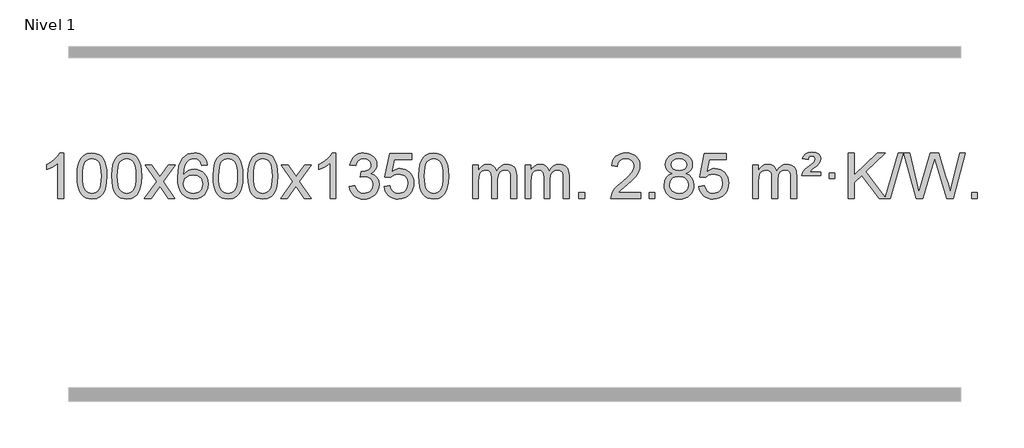
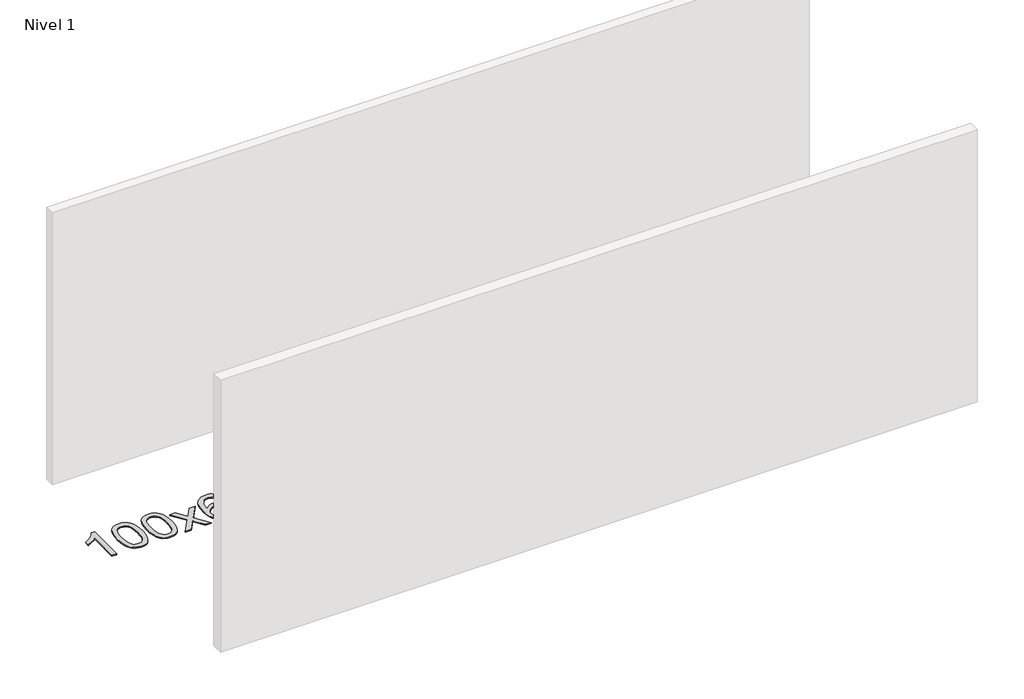
# One storey, part 6 of 16: 1 proxy.
"""IFC4 building model written with IfcOpenShell, lengths in millimetres."""

import ifcopenshell
import ifcopenshell.guid

model = None  # the IFC model being written
_history = None  # IfcOwnerHistory: only IFC2X3 demands one
_inside = {}  # id of a spatial element -> (the spatial element, [elements in it])
_under = {}  # id of a project, library or spatial element -> (it, [spatial elements below it])
_declared = {}  # id of a project -> (the project, [libraries it declares])
_typed = {}  # id of a type object -> (the type object, [elements of that type])
_made_of = {}  # id of a material, layer set ... -> (it, [elements and type objects made of it])


def new_model(schema):
    """Start an empty IFC model of exactly this schema.

    Asked for "IFC4X3", IfcOpenShell would pick the latest addendum, in which some entities
    have other attributes; the version numbers below select the first issue.
    IFC2X3 requires an IfcOwnerHistory on every rooted entity: one is made here for all.
    """
    global model, _history
    if schema == "IFC4X3":
        model = ifcopenshell.file(schema_version=(4, 3, 0, 0))
    else:
        model = ifcopenshell.file(schema=schema)
    _inside.clear()
    _under.clear()
    _declared.clear()
    _typed.clear()
    _made_of.clear()
    _history = None
    if model.schema == "IFC2X3":
        org = make("IfcOrganization", Name="unknown")
        user = make(
            "IfcPersonAndOrganization",
            ThePerson=make("IfcPerson", FamilyName="unknown"),
            TheOrganization=org,
        )
        app = make(
            "IfcApplication",
            ApplicationDeveloper=org,
            Version="unknown",
            ApplicationFullName="unknown",
            ApplicationIdentifier="unknown",
        )
        _history = make(
            "IfcOwnerHistory",
            OwningUser=user,
            OwningApplication=app,
            ChangeAction="ADDED",
            CreationDate=0,
        )
    return model


def make(cls, **values):
    """One entity of the class cls with the attributes given. An attribute that is None is left unset."""
    return model.create_entity(
        cls, **{name: value for name, value in values.items() if value is not None}
    )


def rooted(cls, **values):
    """An entity with a GlobalId (a new one), such as an element, a storey or a relation."""
    return make(cls, GlobalId=ifcopenshell.guid.new(), OwnerHistory=_history, **values)


def si_unit(unit_type, name, prefix=None):
    """IfcSIUnit, for example si_unit("LENGTHUNIT", "METRE", prefix="MILLI")."""
    return make("IfcSIUnit", UnitType=unit_type, Prefix=prefix, Name=name)


def assignment(units):
    """IfcUnitAssignment: the units of a project."""
    return None if units is None else make("IfcUnitAssignment", Units=units)


def point(xyz):
    """IfcCartesianPoint."""
    return None if xyz is None else make("IfcCartesianPoint", Coordinates=xyz)


def direction(xyz):
    """IfcDirection."""
    return None if xyz is None else make("IfcDirection", DirectionRatios=xyz)


def frame(location, z_axis=None, x_axis=None):
    """IfcAxis2Placement3D, a coordinate frame: its origin and axes. An axis left out is left unset."""
    return make(
        "IfcAxis2Placement3D",
        Location=point(location),
        Axis=direction(z_axis),
        RefDirection=direction(x_axis),
    )


def origin():
    """The frame at (0, 0, 0) with its axes left unset."""
    return frame((0.0, 0.0, 0.0))


def origin_with_axes():
    """The frame at (0, 0, 0) with the z axis (0, 0, 1) and the x axis (1, 0, 0) written out."""
    return frame((0.0, 0.0, 0.0), z_axis=(0.0, 0.0, 1.0), x_axis=(1.0, 0.0, 0.0))


def place(relative_to, where):
    """IfcLocalPlacement: puts the frame where relative to a parent placement (None: the world)."""
    return make(
        "IfcLocalPlacement", PlacementRelTo=relative_to, RelativePlacement=where
    )


def context(
    kind, dimensions, precision=None, world=None, true_north=None, identifier=None
):
    """IfcGeometricRepresentationContext, for example the 3D "Model" context."""
    return make(
        "IfcGeometricRepresentationContext",
        ContextIdentifier=identifier,
        ContextType=kind,
        CoordinateSpaceDimension=dimensions,
        Precision=precision,
        WorldCoordinateSystem=world,
        TrueNorth=true_north,
    )


def project(units=None, contexts=None):
    """IfcProject with its units and contexts."""
    return rooted(
        "IfcProject",
        Name="project",
        RepresentationContexts=contexts,
        UnitsInContext=assignment(units),
    )


def spatial(cls, under=None, at=None, **own):
    """A site, building, storey or space (cls), placed at a placement, below another one or the project."""
    s = rooted(cls, ObjectPlacement=at, **own)
    if under is not None:
        _under.setdefault(under.id(), (under, []))[1].append(s)
    return s


def polyline(points):
    """IfcPolyline through the points."""
    return make("IfcPolyline", Points=[point(p) for p in points])


def outline(outer, holes=None, kind="AREA"):
    """IfcArbitraryClosedProfileDef: a profile drawn as a closed curve; with holes, ...WithVoids."""
    if holes is None:
        return make("IfcArbitraryClosedProfileDef", ProfileType=kind, OuterCurve=outer)
    return make(
        "IfcArbitraryProfileDefWithVoids",
        ProfileType=kind,
        OuterCurve=outer,
        InnerCurves=holes,
    )


def extrude(swept, where, along, depth):
    """IfcExtrudedAreaSolid: the profile swept, set in the frame where, extruded along a direction by depth."""
    return make(
        "IfcExtrudedAreaSolid",
        SweptArea=swept,
        Position=where,
        ExtrudedDirection=direction(along),
        Depth=depth,
    )


def shape(context_of_items, identifier, shape_type, items):
    """IfcShapeRepresentation: the items that make up one representation, for example the "Body"."""
    return make(
        "IfcShapeRepresentation",
        ContextOfItems=context_of_items,
        RepresentationIdentifier=identifier,
        RepresentationType=shape_type,
        Items=items,
    )


def made_of(thing, what):
    """Note that an element or type object is made of a material, layer set ...; save() writes the relation."""
    if what is not None:
        _made_of.setdefault(what.id(), (what, []))[1].append(thing)
    return thing


def element(
    cls,
    number,
    at=None,
    inside=None,
    cuts=None,
    type_object=None,
    material=None,
    context=None,
    identifier="Body",
    shape_type=None,
    held_by="IfcProductDefinitionShape",
    body=None,
    shapes=None,
    **own,
):
    """One element of the class cls, such as IfcWall. Its Tag is "e" and its number.

    at: its placement. inside: the storey or other place that contains it. cuts: it is an
    opening in that element (IfcRelVoidsElement). A single representation is given by context,
    identifier, shape_type and body (its items); several are given by shapes. held_by: the class
    of the entity that holds the representations. save() writes the other relations.
    """
    e = rooted(cls, Tag="e%d" % number, ObjectPlacement=at, **own)
    if body is not None:
        shapes = [shape(context, identifier, shape_type, body)]
    if shapes is not None:
        e.Representation = make(held_by, Representations=shapes)
    if inside is not None:
        _inside.setdefault(inside.id(), (inside, []))[1].append(e)
    if cuts is not None:
        rooted(
            "IfcRelVoidsElement", RelatingBuildingElement=cuts, RelatedOpeningElement=e
        )
    if type_object is not None:
        _typed.setdefault(type_object.id(), (type_object, []))[1].append(e)
    return made_of(e, material)


def aggregate(whole, parts):
    """IfcRelAggregates: a whole, such as a stair, and the parts it consists of."""
    return rooted("IfcRelAggregates", RelatingObject=whole, RelatedObjects=parts)


def save(model, path):
    """Write the relations noted so far, then the file.

    IfcRelAggregates (storeys below a building ...), IfcRelContainedInSpatialStructure (elements
    in a storey), IfcRelDefinesByType, IfcRelAssociatesMaterial and IfcRelDeclares: one each for
    every whole, place, type object, material and project.
    """
    for whole, parts in _under.values():
        aggregate(whole, parts)
    for where, things in _inside.values():
        rooted(
            "IfcRelContainedInSpatialStructure",
            RelatedElements=things,
            RelatingStructure=where,
        )
    for kind, things in _typed.values():
        rooted("IfcRelDefinesByType", RelatedObjects=things, RelatingType=kind)
    for what, things in _made_of.values():
        rooted("IfcRelAssociatesMaterial", RelatedObjects=things, RelatingMaterial=what)
    for by, libraries in _declared.values():
        rooted("IfcRelDeclares", RelatingContext=by, RelatedDefinitions=libraries)
    model.write(path)


model = new_model("IFC4")

# Units and contexts
model_context = context("Model", 3, world=origin())
ifc_project = project(units=[si_unit("LENGTHUNIT", "METRE", prefix="MILLI")], contexts=[model_context])

# Site, building, storey
site = spatial("IfcSite", under=ifc_project)
building = spatial("IfcBuilding", under=site)
storey = spatial("IfcBuildingStorey", under=building, Name="Nivel 1", Elevation=0.0)

# Proxy
placement = place(None, origin())
element("IfcBuildingElementProxy", 1, Name="Texto de modelo 1", ObjectType="Texto de modelo 1", at=placement, inside=storey, context=model_context, shape_type="SweptSolid", body=[
    extrude(outline(polyline([(-275.4615788, -24545.579453), (-325.6897338, -24545.579453), (-325.6897338, -24232.4382987), (-346.6590076, -24249.3976587), (-373.2691385, -24266.3324932), (-426.146044, -24291.6918254), (-426.146044, -24244.2105225), (-386.6968314, -24222.7507395), (-352.520594, -24197.219729), (-325.5793692, -24170.0700378), (-307.8351943, -24143.7542124), (-275.4615788, -24143.7542124), (-275.4615788, -24545.579453)])), origin_with_axes(), (0.0, 0.0, 1.0), 10.0),
    extrude(outline(polyline([(-156.1697105, -24347.9041943), (-152.4786278, -24283.5861588), (-141.4053797, -24232.2911459), (-123.0603309, -24193.2343407), (-111.2022679, -24178.0009605), (-97.5538459, -24165.6309284), (-82.0690796, -24156.0598651), (-64.7019837, -24149.2233914), (-24.3208034, -24143.7542124), (6.6303351, -24146.991574), (34.3441121, -24156.7036586), (57.5206778, -24172.5103217), (74.8601825, -24194.0314184), (87.9567815, -24221.0830078), (98.4046302, -24253.4811488), (105.2472353, -24294.6226186), (107.5281037, -24347.9041943), (103.8738092, -24411.8543477), (92.9109257, -24463.0267333), (74.6762415, -24502.1203266), (62.8457697, -24517.3996922), (49.2065447, -24529.8341036), (33.7033843, -24539.4695462), (16.2811061, -24546.3520052), (-24.3208034, -24551.8579724), (-51.9855294, -24549.4667394), (-76.5109958, -24542.2930405), (-97.8972024, -24530.3368757), (-116.1441494, -24513.5982449), (-133.6553324, -24483.3399508), (-146.1633202, -24445.6381776), (-153.6681129, -24400.4929255), (-156.1697105, -24347.9041943)]), holes=[polyline([(-105.9415554, -24347.8060924), (-104.4700274, -24391.4706195), (-100.0554435, -24426.8148822), (-92.6978036, -24453.8388804), (-82.3971077, -24472.5426142), (-69.9381708, -24485.2682656), (-56.1058078, -24494.3580165), (-40.9000186, -24499.8118671), (-24.3208034, -24501.6298173), (-7.7415881, -24499.8057357), (7.464201, -24494.3334911), (21.296564, -24485.2130833), (33.7555009, -24472.4445124), (44.0561968, -24453.7101217), (51.4138367, -24426.6922549), (55.8284206, -24391.3909118), (57.2999486, -24347.8060924), (55.8774716, -24305.2973278), (51.6100404, -24270.5753989), (44.4976552, -24243.6403055), (34.5403158, -24224.4920476), (22.2898454, -24211.1440625), (8.2980668, -24201.6097875), (-7.4350198, -24195.8892225), (-24.9094146, -24193.9823675), (-41.4027907, -24195.6623619), (-56.3510624, -24200.7023452), (-69.7542298, -24209.1023175), (-81.6122928, -24220.8622786), (-92.2563452, -24241.708925), (-99.8592397, -24269.8151094), (-104.4209765, -24305.1808319), (-105.9415554, -24347.8060924)])]), origin_with_axes(), (0.0, 0.0, 1.0), 10.0),
    extrude(outline(polyline([(151.4777394, -24347.9041943), (155.1688221, -24283.5861588), (166.2420701, -24232.2911459), (184.5871189, -24193.2343407), (196.4451819, -24178.0009605), (210.0936039, -24165.6309284), (225.5783702, -24156.0598651), (242.9454661, -24149.2233914), (283.3266464, -24143.7542124), (314.277785, -24146.991574), (341.9915619, -24156.7036586), (365.1681276, -24172.5103217), (382.5076323, -24194.0314184), (395.6042314, -24221.0830078), (406.05208, -24253.4811488), (412.8946851, -24294.6226186), (415.1755535, -24347.9041943), (411.521259, -24411.8543477), (400.5583756, -24463.0267333), (382.3236913, -24502.1203266), (370.4932195, -24517.3996922), (356.8539945, -24529.8341036), (341.3508341, -24539.4695462), (323.928556, -24546.3520052), (283.3266464, -24551.8579724), (255.6619204, -24549.4667394), (231.1364541, -24542.2930405), (209.7502474, -24530.3368757), (191.5033004, -24513.5982449), (173.9921175, -24483.3399508), (161.4841296, -24445.6381776), (153.9793369, -24400.4929255), (151.4777394, -24347.9041943)]), holes=[polyline([(201.7058944, -24347.8060924), (203.1774224, -24391.4706195), (207.5920064, -24426.8148822), (214.9496463, -24453.8388804), (225.2503421, -24472.5426142), (237.709279, -24485.2682656), (251.5416421, -24494.3580165), (266.7474312, -24499.8118671), (283.3266464, -24501.6298173), (299.9058617, -24499.8057357), (315.1116508, -24494.3334911), (328.9440138, -24485.2130833), (341.4029507, -24472.4445124), (351.7036466, -24453.7101217), (359.0612865, -24426.6922549), (363.4758705, -24391.3909118), (364.9473984, -24347.8060924), (363.5249214, -24305.2973278), (359.2574902, -24270.5753989), (352.145105, -24243.6403055), (342.1877657, -24224.4920476), (329.9372952, -24211.1440625), (315.9455167, -24201.6097875), (300.21243, -24195.8892225), (282.7380352, -24193.9823675), (266.2446591, -24195.6623619), (251.2963874, -24200.7023452), (237.89322, -24209.1023175), (226.0351571, -24220.8622786), (215.3911047, -24241.708925), (207.7882101, -24269.8151094), (203.2264734, -24305.1808319), (201.7058944, -24347.8060924)])]), origin_with_axes(), (0.0, 0.0, 1.0), 10.0),
    extrude(outline(polyline([(440.2896311, -24545.579453), (547.6130718, -24397.2494325), (446.5681504, -24250.4890419), (506.9988995, -24250.4890419), (555.7555266, -24321.122385), (578.5151594, -24354.4770192), (598.2336343, -24327.2047007), (653.7592901, -24250.4890419), (714.1900392, -24250.4890419), (608.0438209, -24397.2494325), (710.2659646, -24545.579453), (649.8352155, -24545.579453), (588.3253459, -24456.4048574), (577.0436314, -24440.1199477), (500.7203801, -24545.579453), (440.2896311, -24545.579453)])), origin_with_axes(), (0.0, 0.0, 1.0), 10.0),
    extrude(outline(polyline([(999.0778563, -24250.4890419), (948.8497012, -24256.7675613), (940.7562973, -24231.874213), (929.8179393, -24214.8780648), (907.0337811, -24199.2062918), (879.4916824, -24193.9823675), (856.1434384, -24197.0235253), (834.1686206, -24206.1469988), (815.2962742, -24225.3627017), (799.8820186, -24251.8134171), (789.4709581, -24289.227016), (785.6081972, -24341.3313693), (805.7558678, -24317.8237098), (829.9011894, -24301.2567573), (856.6952614, -24291.434308), (884.7891831, -24288.1601582), (908.922242, -24290.398107), (931.1913654, -24297.1119534), (951.5965534, -24308.3016975), (970.137806, -24323.9673391), (985.5459302, -24343.1769106), (996.5517332, -24364.9984443), (1003.155215, -24389.4319401), (1005.3563756, -24416.4773982), (1001.2115718, -24452.4439945), (988.7771604, -24485.786366), (969.0832109, -24514.0642287), (943.159793, -24534.8372987), (912.184129, -24547.602804), (877.3334413, -24551.8579724), (847.3909126, -24549.0375437), (820.3485203, -24540.5762579), (796.2062643, -24526.4741147), (774.9641448, -24506.7311143), (757.6460999, -24480.5133908), (745.2760678, -24446.9870783), (737.8540485, -24406.1521768), (735.3800421, -24358.0086864), (738.1268943, -24304.0342663), (746.367451, -24257.9693092), (760.1017122, -24219.8138149), (779.3296778, -24189.5677835), (800.1701928, -24169.5243462), (824.3339085, -24155.2076052), (851.820825, -24146.6175606), (882.6309421, -24143.7542124), (905.7645882, -24145.5261773), (926.7032051, -24150.8420722), (945.4467927, -24159.7018969), (961.9953511, -24172.1056515), (975.9012906, -24187.6364031), (986.7170212, -24205.8772186), (994.4425431, -24226.8280983), (999.0778563, -24250.4890419)]), holes=[polyline([(785.6081972, -24415.6925832), (788.514465, -24437.9494439), (797.2332682, -24459.2007605), (810.7713257, -24477.472233), (828.1353558, -24490.7895612), (849.0923668, -24498.9197533), (873.4093667, -24501.6298173), (906.5555345, -24496.0134855), (920.4706709, -24488.9930708), (932.6138425, -24479.1644901), (942.4638829, -24466.9262824), (949.499626, -24452.6769865), (955.1282206, -24418.1451299), (949.5732024, -24384.9989621), (942.6294298, -24371.3781312), (932.9081481, -24359.725469), (920.7281883, -24350.3904634), (906.4083817, -24343.7226022), (871.3492275, -24338.3883133), (838.2521107, -24343.7226022), (810.5751219, -24359.725469), (799.6520924, -24371.2248471), (791.8499284, -24384.3858254), (787.16863, -24399.2084042), (785.6081972, -24415.6925832)])]), origin_with_axes(), (0.0, 0.0, 1.0), 10.0),
    extrude(outline(polyline([(1049.3060113, -24347.9041943), (1052.997094, -24283.5861588), (1064.0703421, -24232.2911459), (1082.4153909, -24193.2343407), (1094.2734539, -24178.0009605), (1107.9218759, -24165.6309284), (1123.4066422, -24156.0598651), (1140.7737381, -24149.2233914), (1181.1549184, -24143.7542124), (1212.1060569, -24146.991574), (1239.8198339, -24156.7036586), (1262.9963996, -24172.5103217), (1280.3359043, -24194.0314184), (1293.4325033, -24221.0830078), (1303.880352, -24253.4811488), (1310.7229571, -24294.6226186), (1313.0038255, -24347.9041943), (1309.349531, -24411.8543477), (1298.3866475, -24463.0267333), (1280.1519633, -24502.1203266), (1268.3214915, -24517.3996922), (1254.6822665, -24529.8341036), (1239.1791061, -24539.4695462), (1221.7568279, -24546.3520052), (1181.1549184, -24551.8579724), (1153.4901924, -24549.4667394), (1128.964726, -24542.2930405), (1107.5785194, -24530.3368757), (1089.3315724, -24513.5982449), (1071.8203894, -24483.3399508), (1059.3124016, -24445.6381776), (1051.8076089, -24400.4929255), (1049.3060113, -24347.9041943)]), holes=[polyline([(1099.5341664, -24347.8060924), (1101.0056944, -24391.4706195), (1105.4202783, -24426.8148822), (1112.7779182, -24453.8388804), (1123.0786141, -24472.5426142), (1135.537551, -24485.2682656), (1149.369914, -24494.3580165), (1164.5757032, -24499.8118671), (1181.1549184, -24501.6298173), (1197.7341337, -24499.8057357), (1212.9399228, -24494.3334911), (1226.7722858, -24485.2130833), (1239.2312227, -24472.4445124), (1249.5319186, -24453.7101217), (1256.8895585, -24426.6922549), (1261.3041424, -24391.3909118), (1262.7756704, -24347.8060924), (1261.3531934, -24305.2973278), (1257.0857622, -24270.5753989), (1249.973377, -24243.6403055), (1240.0160376, -24224.4920476), (1227.7655672, -24211.1440625), (1213.7737886, -24201.6097875), (1198.040702, -24195.8892225), (1180.5663072, -24193.9823675), (1164.0729311, -24195.6623619), (1149.1246594, -24200.7023452), (1135.721492, -24209.1023175), (1123.863429, -24220.8622786), (1113.2193766, -24241.708925), (1105.6164821, -24269.8151094), (1101.0547453, -24305.1808319), (1099.5341664, -24347.8060924)])]), origin_with_axes(), (0.0, 0.0, 1.0), 10.0),
    extrude(outline(polyline([(1356.9534612, -24347.9041943), (1360.6445439, -24283.5861588), (1371.7177919, -24232.2911459), (1390.0628407, -24193.2343407), (1401.9209037, -24178.0009605), (1415.5693257, -24165.6309284), (1431.054092, -24156.0598651), (1448.4211879, -24149.2233914), (1488.8023682, -24143.7542124), (1519.7535068, -24146.991574), (1547.4672837, -24156.7036586), (1570.6438494, -24172.5103217), (1587.9833541, -24194.0314184), (1601.0799532, -24221.0830078), (1611.5278018, -24253.4811488), (1618.3704069, -24294.6226186), (1620.6512753, -24347.9041943), (1616.9969808, -24411.8543477), (1606.0340974, -24463.0267333), (1587.7994131, -24502.1203266), (1575.9689413, -24517.3996922), (1562.3297163, -24529.8341036), (1546.8265559, -24539.4695462), (1529.4042778, -24546.3520052), (1488.8023682, -24551.8579724), (1461.1376422, -24549.4667394), (1436.6121759, -24542.2930405), (1415.2259692, -24530.3368757), (1396.9790222, -24513.5982449), (1379.4678393, -24483.3399508), (1366.9598514, -24445.6381776), (1359.4550587, -24400.4929255), (1356.9534612, -24347.9041943)]), holes=[polyline([(1407.1816162, -24347.8060924), (1408.6531442, -24391.4706195), (1413.0677282, -24426.8148822), (1420.4253681, -24453.8388804), (1430.7260639, -24472.5426142), (1443.1850008, -24485.2682656), (1457.0173639, -24494.3580165), (1472.223153, -24499.8118671), (1488.8023682, -24501.6298173), (1505.3815835, -24499.8057357), (1520.5873726, -24494.3334911), (1534.4197356, -24485.2130833), (1546.8786725, -24472.4445124), (1557.1793684, -24453.7101217), (1564.5370083, -24426.6922549), (1568.9515923, -24391.3909118), (1570.4231202, -24347.8060924), (1569.0006432, -24305.2973278), (1564.733212, -24270.5753989), (1557.6208268, -24243.6403055), (1547.6634875, -24224.4920476), (1535.413017, -24211.1440625), (1521.4212385, -24201.6097875), (1505.6881518, -24195.8892225), (1488.213757, -24193.9823675), (1471.7203809, -24195.6623619), (1456.7721092, -24200.7023452), (1443.3689418, -24209.1023175), (1431.5108789, -24220.8622786), (1420.8668265, -24241.708925), (1413.2639319, -24269.8151094), (1408.7021952, -24305.1808319), (1407.1816162, -24347.8060924)])]), origin_with_axes(), (0.0, 0.0, 1.0), 10.0),
    extrude(outline(polyline([(1645.7653528, -24545.579453), (1753.0887936, -24397.2494325), (1652.0438722, -24250.4890419), (1712.4746213, -24250.4890419), (1761.2312484, -24321.122385), (1783.9908812, -24354.4770192), (1803.7093561, -24327.2047007), (1859.2350119, -24250.4890419), (1919.665761, -24250.4890419), (1813.5195426, -24397.2494325), (1915.7416864, -24545.579453), (1855.3109373, -24545.579453), (1793.8010677, -24456.4048574), (1782.5193532, -24440.1199477), (1706.1961019, -24545.579453), (1645.7653528, -24545.579453)])), origin_with_axes(), (0.0, 0.0, 1.0), 10.0),
    extrude(outline(polyline([(2135.4898648, -24545.579453), (2085.2617098, -24545.579453), (2085.2617098, -24232.4382987), (2064.292436, -24249.3976587), (2037.682305, -24266.3324932), (1984.8053996, -24291.6918254), (1984.8053996, -24244.2105225), (2024.2546122, -24222.7507395), (2058.4308496, -24197.219729), (2085.3720743, -24170.0700378), (2103.1162492, -24143.7542124), (2135.4898648, -24143.7542124), (2135.4898648, -24545.579453)])), origin_with_axes(), (0.0, 0.0, 1.0), 10.0),
    extrude(outline(polyline([(2254.7817331, -24438.8446235), (2305.0098882, -24432.5661041), (2316.2548145, -24464.1303793), (2332.7236652, -24485.4430095), (2355.2257805, -24497.5831154), (2384.570501, -24501.6298173), (2419.0042558, -24496.0625364), (2433.2780772, -24489.1034354), (2445.5898613, -24479.3606939), (2462.5860095, -24454.4428201), (2468.2513922, -24424.2274455), (2462.6350604, -24395.5449126), (2445.786065, -24372.2825078), (2420.27958, -24356.8682522), (2388.6907794, -24351.730167), (2353.4722097, -24357.2238715), (2359.064016, -24306.9957164), (2367.108369, -24307.5843276), (2397.2011162, -24303.979084), (2424.1055528, -24293.1633534), (2435.1788008, -24284.9841103), (2443.0882637, -24274.8673555), (2447.8339415, -24262.8130888), (2449.415834, -24248.8213102), (2444.8295718, -24227.1285352), (2431.0707852, -24209.5315131), (2410.076986, -24197.8696539), (2383.7856861, -24193.9823675), (2357.4453352, -24197.9064421), (2335.9119758, -24209.6786659), (2320.1911519, -24229.299039), (2311.2884076, -24256.7675613), (2261.0602525, -24250.4890419), (2267.0138095, -24226.5092672), (2275.8491087, -24205.3867093), (2287.5661503, -24187.1213683), (2302.1649341, -24171.713244), (2319.1856077, -24159.4811677), (2338.1683187, -24150.7439703), (2359.113067, -24145.5016519), (2382.0198525, -24143.7542124), (2413.5963904, -24147.2000404), (2442.5977544, -24157.5375245), (2467.0496443, -24173.8469596), (2484.9777602, -24195.2086408), (2495.9774319, -24219.8199463), (2499.6439891, -24245.8782543), (2496.1613729, -24270.1584659), (2485.7135242, -24292.1823347), (2468.4475959, -24310.9443165), (2444.5107408, -24325.4388671), (2475.9523886, -24338.1430586), (2499.2515817, -24359.77452), (2513.6725559, -24389.1560286), (2518.4795473, -24425.1103623), (2516.0760516, -24450.5923218), (2508.8655645, -24474.0631931), (2496.848086, -24495.5229762), (2480.023616, -24514.971671), (2459.5264575, -24531.1094278), (2436.4909133, -24542.636397), (2410.9169832, -24549.5525785), (2382.8046674, -24551.8579724), (2357.3962843, -24549.8898037), (2334.2442441, -24543.9852977), (2313.3485468, -24534.1444543), (2294.7091923, -24520.3672736), (2279.0803389, -24503.4630959), (2267.2161446, -24484.2412617), (2259.1166093, -24462.7017708), (2254.7817331, -24438.8446235)])), origin_with_axes(), (0.0, 0.0, 1.0), 10.0),
    extrude(outline(polyline([(2562.429183, -24438.8446235), (2612.657338, -24432.5661041), (2621.8789134, -24462.7201649), (2637.9676193, -24484.3148381), (2660.8498794, -24497.3010725), (2690.4521173, -24501.6298173), (2709.581981, -24500.1245668), (2726.4555019, -24495.6088153), (2741.0726798, -24488.0825628), (2753.4335149, -24477.5458094), (2763.2620955, -24464.519721), (2770.2825102, -24449.5254641), (2775.898842, -24413.6324441), (2770.6381295, -24379.8363514), (2764.0622388, -24365.9181493), (2754.8559919, -24353.9865099), (2742.9887319, -24344.4154467), (2728.4298019, -24337.5789729), (2691.2369322, -24332.1097939), (2666.8708814, -24334.2925604), (2647.1401437, -24340.8408599), (2631.3825316, -24350.8717757), (2618.9358574, -24363.5023908), (2568.7077023, -24357.2238715), (2612.657338, -24150.0327318), (2807.291439, -24150.0327318), (2807.291439, -24200.2608869), (2653.2715103, -24200.2608869), (2631.7872018, -24310.919791), (2649.5129826, -24298.2155994), (2667.667959, -24289.1411769), (2686.2521312, -24283.6965234), (2705.265499, -24281.8816388), (2729.726586, -24284.1318504), (2752.1949788, -24290.882485), (2772.6706775, -24302.1335427), (2791.1536821, -24317.8850234), (2806.4545074, -24337.1743027), (2817.3836684, -24359.038756), (2823.9411649, -24383.4783832), (2826.1269971, -24410.4931844), (2824.1588284, -24436.5147042), (2818.2543224, -24460.7213394), (2808.413479, -24483.1130902), (2794.6362983, -24503.6899565), (2773.7651265, -24524.7634634), (2749.4113384, -24539.8159684), (2721.5749341, -24548.8474714), (2690.2559136, -24551.8579724), (2664.3355613, -24549.9235262), (2640.922938, -24544.1201877), (2620.0180436, -24534.447957), (2601.6208782, -24520.9068338), (2586.3139215, -24504.1712688), (2574.6796534, -24484.915712), (2566.7180739, -24463.1401636), (2562.429183, -24438.8446235)])), origin_with_axes(), (0.0, 0.0, 1.0), 10.0),
    extrude(outline(polyline([(2870.0766328, -24347.9041943), (2873.7677155, -24283.5861588), (2884.8409635, -24232.2911459), (2903.1860124, -24193.2343407), (2915.0440753, -24178.0009605), (2928.6924974, -24165.6309284), (2944.1772637, -24156.0598651), (2961.5443595, -24149.2233914), (3001.9255399, -24143.7542124), (3032.8766784, -24146.991574), (3060.5904554, -24156.7036586), (3083.7670211, -24172.5103217), (3101.1065258, -24194.0314184), (3114.2031248, -24221.0830078), (3124.6509735, -24253.4811488), (3131.4935786, -24294.6226186), (3133.7744469, -24347.9041943), (3130.1201525, -24411.8543477), (3119.157269, -24463.0267333), (3100.9225848, -24502.1203266), (3089.0921129, -24517.3996922), (3075.452888, -24529.8341036), (3059.9497276, -24539.4695462), (3042.5274494, -24546.3520052), (3001.9255399, -24551.8579724), (2974.2608138, -24549.4667394), (2949.7353475, -24542.2930405), (2928.3491408, -24530.3368757), (2910.1021939, -24513.5982449), (2892.5910109, -24483.3399508), (2880.0830231, -24445.6381776), (2872.5782304, -24400.4929255), (2870.0766328, -24347.9041943)]), holes=[polyline([(2920.3047879, -24347.8060924), (2921.7763158, -24391.4706195), (2926.1908998, -24426.8148822), (2933.5485397, -24453.8388804), (2943.8492356, -24472.5426142), (2956.3081725, -24485.2682656), (2970.1405355, -24494.3580165), (2985.3463246, -24499.8118671), (3001.9255399, -24501.6298173), (3018.5047551, -24499.8057357), (3033.7105442, -24494.3334911), (3047.5429073, -24485.2130833), (3060.0018442, -24472.4445124), (3070.30254, -24453.7101217), (3077.6601799, -24426.6922549), (3082.0747639, -24391.3909118), (3083.5462919, -24347.8060924), (3082.1238148, -24305.2973278), (3077.8563837, -24270.5753989), (3070.7439984, -24243.6403055), (3060.7866591, -24224.4920476), (3048.5361887, -24211.1440625), (3034.5444101, -24201.6097875), (3018.8113234, -24195.8892225), (3001.3369287, -24193.9823675), (2984.8435526, -24195.6623619), (2969.8952808, -24200.7023452), (2956.4921135, -24209.1023175), (2944.6340505, -24220.8622786), (2933.9899981, -24241.708925), (2926.3871035, -24269.8151094), (2921.8253668, -24305.1808319), (2920.3047879, -24347.8060924)])]), origin_with_axes(), (0.0, 0.0, 1.0), 10.0),
    extrude(outline(polyline([(3347.244106, -24545.579453), (3347.244106, -24250.4890419), (3397.4722611, -24250.4890419), (3397.4722611, -24299.0494653), (3412.5799483, -24276.7435537), (3432.0041177, -24259.2691589), (3455.0825815, -24247.9751816), (3481.1531522, -24244.2105225), (3509.0876584, -24248.048758), (3531.4794092, -24259.5634645), (3548.2057772, -24277.9943524), (3559.1441352, -24302.5811324), (3577.4523959, -24277.0439906), (3598.3358304, -24258.803175), (3621.794439, -24247.8586857), (3647.8282215, -24244.2105225), (3667.9360383, -24245.7280358), (3685.585177, -24250.2805755), (3700.7756377, -24257.8681416), (3713.5074204, -24268.4907342), (3723.5720587, -24282.2709806), (3730.761086, -24299.3315082), (3735.0745024, -24319.6723168), (3736.5123078, -24343.2934066), (3736.5123078, -24545.579453), (3686.2841528, -24545.579453), (3686.2841528, -24364.875817), (3685.1191931, -24339.8230531), (3681.6243142, -24322.9372695), (3675.0760146, -24311.3735121), (3664.7507933, -24302.2868268), (3651.4702533, -24296.4007149), (3636.0559977, -24294.4386776), (3608.8449928, -24299.4663982), (3586.6617085, -24314.54956), (3578.0563355, -24326.1194488), (3571.9096405, -24340.7182326), (3566.9922845, -24379.0024856), (3566.9922845, -24545.579453), (3516.7641294, -24545.579453), (3516.7641294, -24359.2840106), (3513.8578616, -24330.8835206), (3505.1390583, -24310.6254854), (3489.7983791, -24298.4853796), (3467.0264836, -24294.4386776), (3447.6758907, -24297.1364789), (3429.8458767, -24305.2298828), (3415.1305968, -24318.5226856), (3405.1242066, -24336.8186835), (3399.3852475, -24362.2025411), (3397.4722611, -24396.7589232), (3397.4722611, -24545.579453), (3347.244106, -24545.579453)])), origin_with_axes(), (0.0, 0.0, 1.0), 10.0),
    extrude(outline(polyline([(3811.8545404, -24545.579453), (3811.8545404, -24250.4890419), (3862.0826955, -24250.4890419), (3862.0826955, -24299.0494653), (3877.1903828, -24276.7435537), (3896.6145521, -24259.2691589), (3919.693016, -24247.9751816), (3945.7635867, -24244.2105225), (3973.6980929, -24248.048758), (3996.0898436, -24259.5634645), (4012.8162117, -24277.9943524), (4023.7545697, -24302.5811324), (4042.0628303, -24277.0439906), (4062.9462649, -24258.803175), (4086.4048734, -24247.8586857), (4112.438656, -24244.2105225), (4132.5464727, -24245.7280358), (4150.1956114, -24250.2805755), (4165.3860721, -24257.8681416), (4178.1178548, -24268.4907342), (4188.1824931, -24282.2709806), (4195.3715204, -24299.3315082), (4199.6849368, -24319.6723168), (4201.1227423, -24343.2934066), (4201.1227423, -24545.579453), (4150.8945872, -24545.579453), (4150.8945872, -24364.875817), (4149.7296276, -24339.8230531), (4146.2347486, -24322.9372695), (4139.6864491, -24311.3735121), (4129.3612278, -24302.2868268), (4116.0806877, -24296.4007149), (4100.6664321, -24294.4386776), (4073.4554272, -24299.4663982), (4051.2721429, -24314.54956), (4042.6667699, -24326.1194488), (4036.5200749, -24340.7182326), (4031.6027189, -24379.0024856), (4031.6027189, -24545.579453), (3981.3745638, -24545.579453), (3981.3745638, -24359.2840106), (3978.4682961, -24330.8835206), (3969.7494928, -24310.6254854), (3954.4088136, -24298.4853796), (3931.6369181, -24294.4386776), (3912.2863251, -24297.1364789), (3894.4563111, -24305.2298828), (3879.7410313, -24318.5226856), (3869.734641, -24336.8186835), (3863.9956819, -24362.2025411), (3862.0826955, -24396.7589232), (3862.0826955, -24545.579453), (3811.8545404, -24545.579453)])), origin_with_axes(), (0.0, 0.0, 1.0), 10.0),
    extrude(outline(polyline([(4289.0220137, -24545.579453), (4289.0220137, -24495.3512979), (4339.2501687, -24495.3512979), (4339.2501687, -24545.579453), (4289.0220137, -24545.579453)])), origin_with_axes(), (0.0, 0.0, 1.0), 10.0),
    extrude(outline(polyline([(4835.2532001, -24495.3512979), (4835.2532001, -24545.579453), (4571.555386, -24545.579453), (4572.6590319, -24527.8965918), (4576.9509885, -24510.9494945), (4589.3363491, -24483.8856424), (4607.4606687, -24457.6311307), (4633.6783922, -24430.1503456), (4670.3439644, -24399.4076736), (4724.545245, -24351.2641831), (4757.0660134, -24315.7267824), (4773.3263976, -24286.884834), (4778.7465256, -24258.8277005), (4773.6329659, -24233.6768347), (4758.2922867, -24212.7688747), (4734.7110508, -24198.6789943), (4704.875821, -24193.9823675), (4673.5445377, -24198.5686297), (4649.2030124, -24212.3274163), (4633.4944512, -24234.1796068), (4628.0620604, -24263.0460807), (4577.8339053, -24256.7675613), (4582.1534531, -24230.838012), (4590.0107994, -24208.1826125), (4601.4059442, -24188.8013627), (4616.3388875, -24172.6942627), (4634.4662728, -24160.0329907), (4655.4447436, -24150.989225), (4679.2742998, -24145.5629655), (4705.9549415, -24143.7542124), (4732.8747065, -24145.7653006), (4756.8330215, -24151.7985654), (4777.8298863, -24161.8540066), (4795.8653011, -24175.9316242), (4810.3506547, -24192.9890861), (4820.6973358, -24211.9840598), (4826.9053445, -24232.9165453), (4828.9746807, -24255.7865427), (4826.7428633, -24279.8092369), (4820.047411, -24303.4149983), (4808.1648225, -24327.4254299), (4790.3715967, -24352.6621347), (4762.0078949, -24382.7916701), (4718.4138784, -24421.4805933), (4660.6318797, -24469.795762), (4637.9703488, -24495.3512979), (4835.2532001, -24495.3512979)])), origin_with_axes(), (0.0, 0.0, 1.0), 10.0),
    extrude(outline(polyline([(4910.5954327, -24545.579453), (4910.5954327, -24495.3512979), (4960.8235878, -24495.3512979), (4960.8235878, -24545.579453), (4910.5954327, -24545.579453)])), origin_with_axes(), (0.0, 0.0, 1.0), 10.0),
    extrude(outline(polyline([(5115.6283314, -24324.2616447), (5088.7361575, -24311.0178929), (5069.8638112, -24293.0652515), (5058.7169867, -24270.7716026), (5055.0013785, -24244.5048281), (5057.0247295, -24224.0199324), (5063.0947824, -24205.2395565), (5073.2115373, -24188.1637006), (5087.3749941, -24172.7923645), (5104.9045712, -24160.088173), (5125.1196868, -24151.0137504), (5148.020341, -24145.5690969), (5173.6065338, -24143.7542124), (5199.3153539, -24145.6120165), (5222.3876864, -24151.1854287), (5242.8235312, -24160.4744491), (5260.6228884, -24173.4790776), (5275.0438626, -24189.1508506), (5285.3445585, -24206.4413044), (5291.524976, -24225.3504389), (5293.5851152, -24245.8782543), (5289.9185579, -24271.2989001), (5278.9188863, -24293.2124043), (5260.4634729, -24311.0546811), (5234.4296903, -24324.2616447), (5265.3440407, -24340.1909351), (5287.846156, -24363.6495436), (5301.5681544, -24393.5092989), (5306.1421539, -24428.6420295), (5303.8735483, -24453.6947933), (5297.0677314, -24476.6628926), (5285.7247032, -24497.5463272), (5269.8444637, -24516.3450971), (5250.2608789, -24531.88198), (5227.8078144, -24542.9797536), (5202.4852704, -24549.6384177), (5174.2932469, -24551.8579724), (5146.1012233, -24549.6292206), (5120.7786793, -24542.9429654), (5098.3256148, -24531.7992066), (5078.74203, -24516.1979443), (5062.8617905, -24497.26735), (5051.5187623, -24476.135595), (5044.7129454, -24452.8026795), (5042.4443398, -24427.2686033), (5047.2022803, -24390.7747094), (5061.4761017, -24360.7555386), (5084.53004, -24338.2411605), (5115.6283314, -24324.2616447)]), holes=[polyline([(5105.2295336, -24245.9763561), (5109.6809058, -24267.902123), (5123.0350222, -24285.413306), (5144.8994754, -24296.8912243), (5174.881858, -24300.717197), (5204.1652649, -24296.9157497), (5225.6986243, -24285.5114079), (5238.9423761, -24268.5888361), (5243.3569601, -24248.232699), (5238.7952233, -24227.1040098), (5225.1100131, -24209.629615), (5203.2823481, -24197.8941794), (5174.2932469, -24193.9823675), (5145.1202046, -24197.8083402), (5123.3293278, -24209.2862585), (5109.7544822, -24226.1107284), (5105.2295336, -24245.9763561)]), polyline([(5092.6724949, -24425.5027698), (5094.7694222, -24444.7184726), (5101.0602043, -24463.3210389), (5112.6730127, -24479.5446349), (5130.7360186, -24491.623427), (5152.3674799, -24499.1282197), (5174.6856543, -24501.6298173), (5208.8741544, -24496.3691048), (5222.7678311, -24489.7932141), (5234.5277922, -24480.5869672), (5250.5674472, -24456.6869002), (5255.9139988, -24427.0723996), (5250.3957689, -24396.9551269), (5233.8410791, -24372.5277625), (5221.762287, -24363.0854579), (5207.5988301, -24356.3409547), (5173.0179226, -24350.9453521), (5139.3076691, -24356.2673783), (5125.5703423, -24362.919911), (5113.9115487, -24372.2334569), (5097.9822583, -24396.1948375), (5092.6724949, -24425.5027698)])]), origin_with_axes(), (0.0, 0.0, 1.0), 10.0),
    extrude(outline(polyline([(5350.0917896, -24438.8446235), (5400.3199447, -24432.5661041), (5409.54152, -24462.7201649), (5425.630226, -24484.3148381), (5448.5124861, -24497.3010725), (5478.1147239, -24501.6298173), (5497.2445877, -24500.1245668), (5514.1181085, -24495.6088153), (5528.7352865, -24488.0825628), (5541.0961215, -24477.5458094), (5550.9247021, -24464.519721), (5557.9451169, -24449.5254641), (5563.5614487, -24413.6324441), (5558.3007361, -24379.8363514), (5551.7248455, -24365.9181493), (5542.5185986, -24353.9865099), (5530.6513385, -24344.4154467), (5516.0924086, -24337.5789729), (5478.8995389, -24332.1097939), (5454.533488, -24334.2925604), (5434.8027504, -24340.8408599), (5419.0451382, -24350.8717757), (5406.5984641, -24363.5023908), (5356.370309, -24357.2238715), (5400.3199447, -24150.0327318), (5594.9540456, -24150.0327318), (5594.9540456, -24200.2608869), (5440.934117, -24200.2608869), (5419.4498084, -24310.919791), (5437.1755892, -24298.2155994), (5455.3305657, -24289.1411769), (5473.9147378, -24283.6965234), (5492.9281056, -24281.8816388), (5517.3891926, -24284.1318504), (5539.8575855, -24290.882485), (5560.3332842, -24302.1335427), (5578.8162887, -24317.8850234), (5594.1171141, -24337.1743027), (5605.046275, -24359.038756), (5611.6037716, -24383.4783832), (5613.7896038, -24410.4931844), (5611.8214351, -24436.5147042), (5605.9169291, -24460.7213394), (5596.0760857, -24483.1130902), (5582.298905, -24503.6899565), (5561.4277331, -24524.7634634), (5537.073945, -24539.8159684), (5509.2375407, -24548.8474714), (5477.9185202, -24551.8579724), (5451.998168, -24549.9235262), (5428.5855447, -24544.1201877), (5407.6806503, -24534.447957), (5389.2834848, -24520.9068338), (5373.9765281, -24504.1712688), (5362.3422601, -24484.915712), (5354.3806805, -24463.1401636), (5350.0917896, -24438.8446235)])), origin_with_axes(), (0.0, 0.0, 1.0), 10.0),
    extrude(outline(polyline([(5827.2592628, -24545.579453), (5827.2592628, -24250.4890419), (5877.4874179, -24250.4890419), (5877.4874179, -24299.0494653), (5892.5951052, -24276.7435537), (5912.0192745, -24259.2691589), (5935.0977383, -24247.9751816), (5961.1683091, -24244.2105225), (5989.1028152, -24248.048758), (6011.494566, -24259.5634645), (6028.2209341, -24277.9943524), (6039.159292, -24302.5811324), (6057.4675527, -24277.0439906), (6078.3509873, -24258.803175), (6101.8095958, -24247.8586857), (6127.8433783, -24244.2105225), (6147.9511951, -24245.7280358), (6165.6003338, -24250.2805755), (6180.7907945, -24257.8681416), (6193.5225772, -24268.4907342), (6203.5872155, -24282.2709806), (6210.7762428, -24299.3315082), (6215.0896592, -24319.6723168), (6216.5274647, -24343.2934066), (6216.5274647, -24545.579453), (6166.2993096, -24545.579453), (6166.2993096, -24364.875817), (6165.1343499, -24339.8230531), (6161.639471, -24322.9372695), (6155.0911715, -24311.3735121), (6144.7659501, -24302.2868268), (6131.4854101, -24296.4007149), (6116.0711545, -24294.4386776), (6088.8601496, -24299.4663982), (6066.6768653, -24314.54956), (6058.0714923, -24326.1194488), (6051.9247973, -24340.7182326), (6047.0074413, -24379.0024856), (6047.0074413, -24545.579453), (5996.7792862, -24545.579453), (5996.7792862, -24359.2840106), (5993.8730184, -24330.8835206), (5985.1542152, -24310.6254854), (5969.813536, -24298.4853796), (5947.0416405, -24294.4386776), (5927.6910475, -24297.1364789), (5909.8610335, -24305.2298828), (5895.1457537, -24318.5226856), (5885.1393634, -24336.8186835), (5879.4004043, -24362.2025411), (5877.4874179, -24396.7589232), (5877.4874179, -24545.579453), (5827.2592628, -24545.579453)])), origin_with_axes(), (0.0, 0.0, 1.0), 10.0),
    extrude(outline(polyline([(6260.4771003, -24344.6668327), (6264.3030731, -24328.8479069), (6272.6417317, -24312.9799302), (6294.1505656, -24287.8413272), (6326.1072483, -24260.1030247), (6370.2530877, -24222.726214), (6377.3899984, -24211.1992448), (6379.7689686, -24199.3779701), (6377.8805077, -24187.2869152), (6372.215125, -24177.5012541), (6362.8463969, -24171.026531), (6349.8478997, -24168.8682899), (6337.4134883, -24170.4869707), (6328.5597949, -24175.343013), (6322.1341227, -24184.8098431), (6316.9837748, -24200.2608869), (6266.7556197, -24193.9823675), (6277.5958759, -24168.7701881), (6294.224142, -24151.2099542), (6317.9893189, -24140.9092583), (6350.2403072, -24137.475693), (6386.0229626, -24141.6082341), (6410.7691581, -24154.0058573), (6425.1901323, -24172.3386434), (6429.9971237, -24194.2766731), (6425.9013708, -24217.1834586), (6413.6141122, -24238.8149199), (6393.0862969, -24258.6314968), (6356.6169284, -24286.6886303), (6331.0123416, -24313.2742358), (6429.9971237, -24313.2742358), (6429.9971237, -24344.6668327), (6260.4771003, -24344.6668327)])), origin_with_axes(), (0.0, 0.0, 1.0), 10.0),
    extrude(outline(polyline([(6505.3393563, -24369.7809102), (6505.3393563, -24319.5527552), (6555.5675114, -24319.5527552), (6555.5675114, -24369.7809102), (6505.3393563, -24369.7809102)])), origin_with_axes(), (0.0, 0.0, 1.0), 10.0),
    extrude(outline(polyline([(6946.2091394, -24545.579453), (6792.7778219, -24342.9009991), (6725.0875348, -24407.4520265), (6725.0875348, -24545.579453), (6674.8593797, -24545.579453), (6674.8593797, -24143.7542124), (6725.0875348, -24143.7542124), (6725.0875348, -24340.4484525), (6931.1014521, -24143.7542124), (7001.3423877, -24143.7542124), (6828.388799, -24308.9577537), (7003.0424089, -24539.5349332), (7114.3557366, -24143.7542124), (7159.6787984, -24143.7542124), (7046.6654495, -24545.579453), (7007.6209071, -24545.579453), (7001.3423877, -24545.579453), (6946.2091394, -24545.579453)])), origin_with_axes(), (0.0, 0.0, 1.0), 10.0),
    extrude(outline(polyline([(7274.1636753, -24545.579453), (7164.5838917, -24143.7542124), (7216.3816766, -24143.7542124), (7279.9516854, -24407.844434), (7299.5720585, -24489.3670841), (7320.5658576, -24417.2622131), (7400.2245723, -24143.7542124), (7474.8800919, -24143.7542124), (7532.7601925, -24342.0180823), (7557.5554389, -24415.5944814), (7575.8269114, -24489.3670841), (7594.8586732, -24410.1988788), (7659.0172932, -24143.7542124), (7710.8150781, -24143.7542124), (7601.1371926, -24545.579453), (7547.4754723, -24545.579453), (7451.1394405, -24235.5775584), (7437.6994849, -24192.3146358), (7422.5917976, -24244.4067263), (7334.7906281, -24545.579453), (7274.1636753, -24545.579453)])), origin_with_axes(), (0.0, 0.0, 1.0), 10.0),
    extrude(outline(polyline([(7767.3217526, -24545.579453), (7767.3217526, -24495.3512979), (7817.5499077, -24495.3512979), (7817.5499077, -24545.579453), (7767.3217526, -24545.579453)])), origin_with_axes(), (0.0, 0.0, 1.0), 10.0),
])

save(model, "model.ifc")
